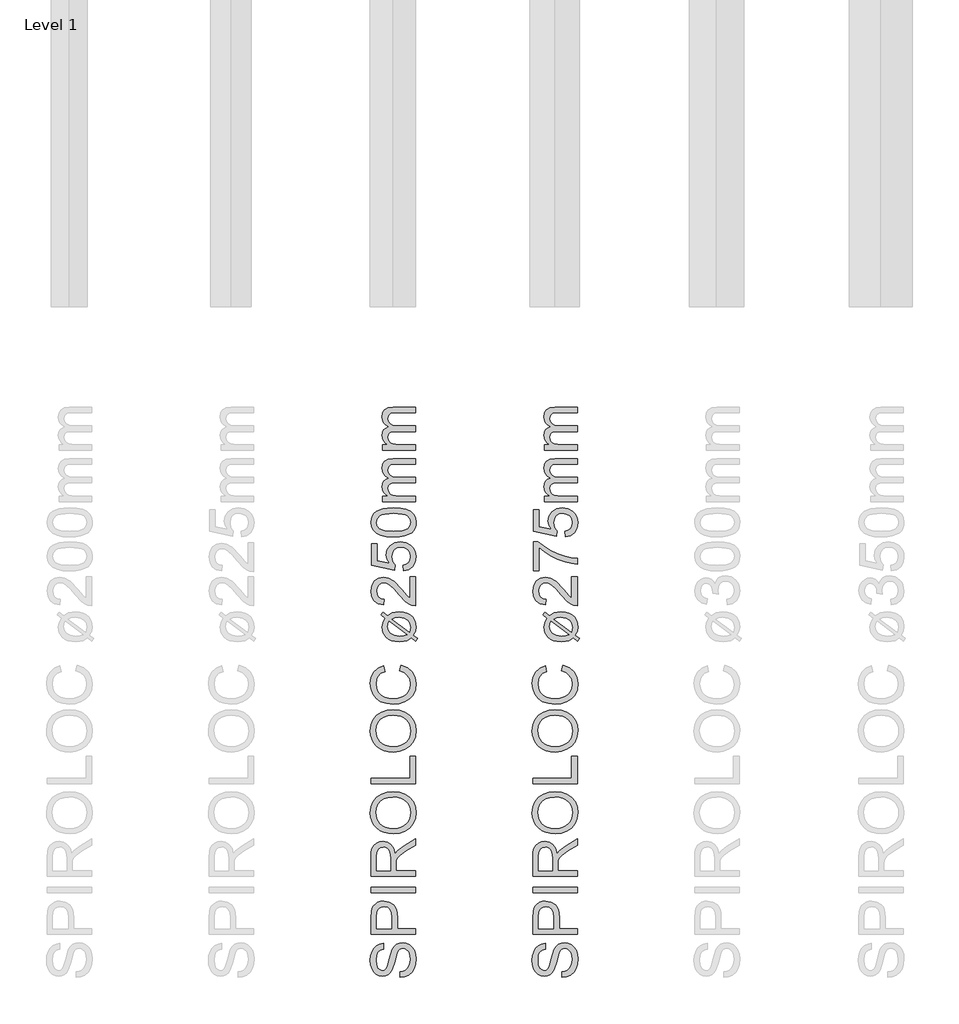
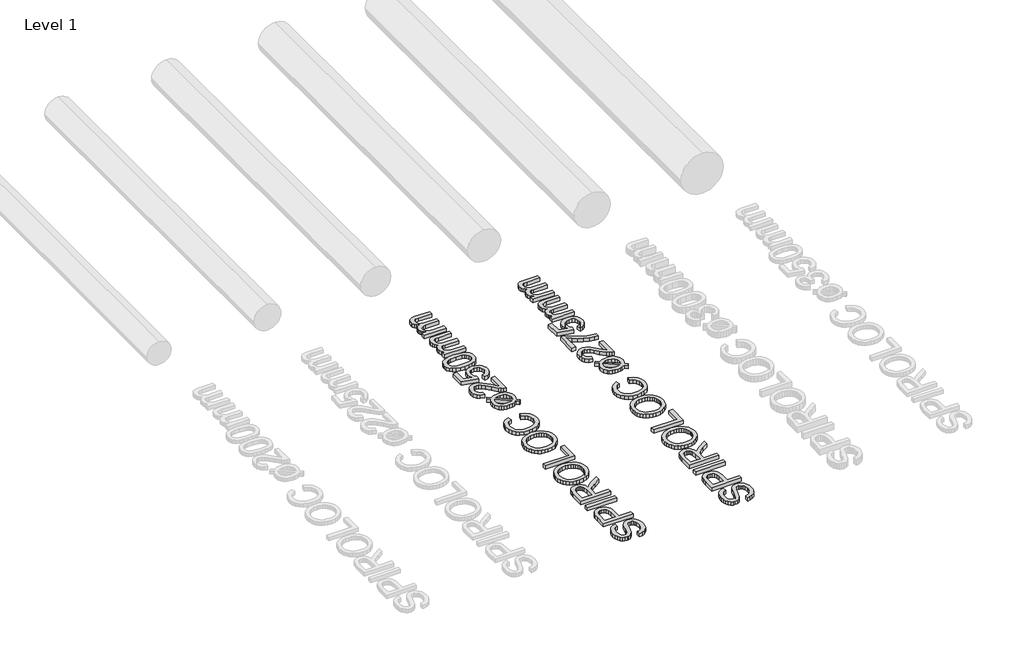
# One storey, part 7 of 19: 2 proxies.
"""IFC4 building model written with IfcOpenShell, lengths in millimetres."""

from ifc_helpers import new_model, si_unit, origin, origin_with_axes, place, context, project, spatial, polyline, outline, extrude, element, save

model = new_model("IFC4")

# Units and contexts
model_context = context("Model", 3, world=origin())
ifc_project = project(units=[si_unit("LENGTHUNIT", "METRE", prefix="MILLI")], contexts=[model_context])

# Site, building, storey
site = spatial("IfcSite", under=ifc_project)
building = spatial("IfcBuilding", under=site)
storey = spatial("IfcBuildingStorey", under=building, Name="Level 1", Elevation=0.0)

# Proxies
placement = place(None, origin())
element("IfcBuildingElementProxy", 1, Name="250mm", ObjectType="250mm", at=placement, inside=storey, context=model_context, shape_type="SweptSolid", body=[
    extrude(outline(polyline([(6912.3427999, -1501.7841772), (6912.3427999, -1471.0149464), (6929.4176196, -1467.4842974), (6943.1420787, -1461.099081), (6954.0345066, -1451.1381435), (6962.6132326, -1436.880331), (6968.1796388, -1419.4524464), (6970.0351076, -1399.9812926), (6964.4161172, -1367.8298502), (6957.7454441, -1355.6678911), (6948.9714057, -1347.0666291), (6938.8977879, -1341.950944), (6928.3283768, -1340.2457156), (6909.1276557, -1345.3538887), (6901.5330042, -1353.1363406), (6895.1552999, -1366.2673502), (6883.4065018, -1411.0690329), (6868.232223, -1459.2961964), (6857.8806605, -1474.6132036), (6845.3355883, -1485.4680714), (6830.8674393, -1491.93592), (6814.746646, -1494.0918695), (6796.7253119, -1491.4251026), (6779.9209249, -1483.4248022), (6765.6781364, -1470.3013046), (6755.341598, -1452.2649464), (6749.0540379, -1430.615307), (6746.9581845, -1406.6519656), (6749.1516941, -1380.6904272), (6755.732223, -1357.974081), (6766.5645547, -1339.3142252), (6781.513473, -1325.5221579), (6799.6474874, -1316.7931916), (6820.0351076, -1313.3226387), (6820.0351076, -1344.0918695), (6801.6757326, -1349.7409079), (6788.4245307, -1361.5197541), (6780.4016941, -1379.9242012), (6777.7274153, -1405.4500426), (6780.371646, -1431.5768454), (6788.3043383, -1449.5005233), (6799.9780162, -1459.8671099), (6813.8452037, -1463.3226387), (6825.669122, -1460.8737204), (6835.1793383, -1453.5269656), (6843.6829441, -1436.1591772), (6852.3668383, -1403.286581), (6867.8115499, -1348.8394656), (6878.9744105, -1331.2989007), (6892.7514537, -1319.0618214), (6908.9924393, -1311.872819), (6927.5471268, -1309.4764849), (6946.5149754, -1312.2333959), (6964.356021, -1320.5041291), (6979.7105883, -1333.9506435), (6991.2190018, -1352.2348983), (6998.4080042, -1374.2225786), (7000.8043383, -1398.7793695), (6998.2202037, -1428.9251026), (6990.4677999, -1453.7373022), (6977.5170787, -1473.5014248), (6959.3379922, -1488.5029272), (6937.1925595, -1498.1333358), (6912.3427999, -1501.7841772)])), origin_with_axes(), (0.0, 0.0, 1.0), 30.0),
    extrude(outline(polyline([(6996.9581845, -1263.3226387), (6750.8043383, -1263.3226387), (6750.8043383, -1172.0966772), (6753.1480883, -1135.317831), (6757.5275956, -1118.919093), (6764.6565018, -1105.4199945), (6774.8578239, -1094.5501026), (6788.4545787, -1086.0389849), (6804.4927398, -1080.5401868), (6822.0182807, -1078.7072541), (6851.0296989, -1083.6576748), (6875.2033768, -1098.5089368), (6884.7211052, -1110.4023412), (6891.5194826, -1126.2808719), (6895.598509, -1146.1445287), (6896.9581845, -1169.9933118), (6896.9581845, -1232.5534079), (6996.9581845, -1232.5534079), (6996.9581845, -1263.3226387)]), holes=[polyline([(6866.1889537, -1232.5534079), (6866.1889537, -1168.1904272), (6863.3644345, -1140.9067733), (6854.8908768, -1122.8779272), (6841.294122, -1112.8268454), (6823.1000114, -1109.4764849), (6809.277896, -1111.4521459), (6797.6192422, -1117.3791291), (6788.8452037, -1126.5212565), (6783.6769345, -1138.1423502), (6781.5735691, -1168.911581), (6781.5735691, -1232.5534079), (6866.1889537, -1232.5534079)])]), origin_with_axes(), (0.0, 0.0, 1.0), 30.0),
    extrude(outline(polyline([(6996.9581845, -1032.5534079), (6750.8043383, -1032.5534079), (6750.8043383, -1001.7841772), (6996.9581845, -1001.7841772), (6996.9581845, -1032.5534079)])), origin_with_axes(), (0.0, 0.0, 1.0), 30.0),
    extrude(outline(polyline([(6996.9581845, -940.2457156), (6750.8043383, -940.2457156), (6750.8043383, -834.1760041), (6752.4644946, -805.6678911), (6757.4449633, -784.927206), (6766.6396749, -769.7679512), (6780.9425595, -758.0041291), (6798.6784369, -750.4545498), (6818.1721268, -747.9380233), (6842.4209249, -752.107194), (6862.5230883, -764.614706), (6877.2616701, -785.8361603), (6885.419723, -816.1471579), (6898.5807807, -798.6591772), (6930.2514537, -773.7192733), (6996.9581845, -732.6736002), (6996.9581845, -768.4308118), (6945.9365499, -800.4620618), (6912.1625114, -823.599081), (6896.2069826, -839.8550906), (6890.3476076, -854.4885041), (6889.2658768, -872.3370618), (6889.2658768, -909.4764849), (6996.9581845, -909.4764849), (6996.9581845, -940.2457156)]), holes=[polyline([(6858.496646, -909.4764849), (6858.496646, -840.6062926), (6854.1396749, -805.4800906), (6848.4756124, -793.9266051), (6840.1973672, -785.5281676), (6830.1838456, -780.4124825), (6819.3139537, -778.7072541), (6804.3049393, -781.9599584), (6792.2105883, -791.7180714), (6784.2328239, -808.5074344), (6781.5735691, -832.8538887), (6781.5735691, -909.4764849), (6858.496646, -909.4764849)])]), origin_with_axes(), (0.0, 0.0, 1.0), 30.0),
    extrude(outline(polyline([(6877.1264537, -705.630331), (6848.2540078, -703.5795498), (6822.6943624, -697.427206), (6800.4475174, -687.1732998), (6781.513473, -672.817831), (6766.3955343, -655.220926), (6755.5970066, -635.2427108), (6749.11789, -612.8831856), (6746.9581845, -588.1423502), (6751.0146749, -555.8556916), (6763.184146, -526.9043695), (6782.6102278, -502.8659079), (6808.4365499, -485.317831), (6839.4161172, -474.5906676), (6874.3019345, -471.0149464), (6909.653497, -474.778468), (6941.0687614, -486.0690329), (6966.9401557, -504.2631435), (6985.6601076, -528.7373022), (6997.0182807, -557.4407276), (7000.8043383, -588.3226387), (6996.6201436, -621.1050906), (6984.0675595, -650.2216772), (6964.2809008, -674.2000426), (6938.3944826, -691.567831), (6908.6093263, -702.114706), (6877.1264537, -705.630331)]), holes=[polyline([(6877.4269345, -674.8611002), (6897.8258227, -673.3230143), (6915.9335451, -668.7087565), (6931.7501016, -661.0183268), (6945.2754922, -650.2517252), (6956.1078239, -637.1639097), (6963.8452037, -622.5098382), (6968.4876316, -606.2895107), (6970.0351076, -588.5029272), (6968.4726076, -570.4121069), (6963.7851076, -554.0002228), (6955.9726076, -539.2672751), (6945.0351076, -526.2132637), (6931.2242602, -515.5255383), (6914.7917182, -507.8914488), (6895.7374814, -503.3109951), (6874.0615499, -501.7841772), (6846.8229682, -504.3983599), (6823.2802999, -512.2409079), (6804.0269946, -525.1089969), (6789.6565018, -542.7998022), (6780.7096869, -564.1414488), (6777.7274153, -587.9620618), (6783.47411, -621.0600185), (6800.7141941, -649.2000426), (6814.1287825, -660.4267553), (6831.3857686, -668.4458358), (6852.4851527, -673.2572841), (6877.4269345, -674.8611002)])]), origin_with_axes(), (0.0, 0.0, 1.0), 30.0),
    extrude(outline(polyline([(6996.9581845, -428.7072541), (6750.8043383, -428.7072541), (6750.8043383, -397.9380233), (6966.1889537, -397.9380233), (6966.1889537, -274.8611002), (6996.9581845, -274.8611002), (6996.9581845, -428.7072541)])), origin_with_axes(), (0.0, 0.0, 1.0), 30.0),
    extrude(outline(polyline([(6877.1264537, -251.7841772), (6848.2540078, -249.7333959), (6822.6943624, -243.5810522), (6800.4475174, -233.3271459), (6781.513473, -218.9716772), (6766.3955343, -201.3747721), (6755.5970066, -181.396557), (6749.11789, -159.0370317), (6746.9581845, -134.2961964), (6751.0146749, -102.0095377), (6763.184146, -73.0582156), (6782.6102278, -49.0197541), (6808.4365499, -31.4716772), (6839.4161172, -20.7445137), (6874.3019345, -17.1687926), (6909.653497, -20.9323142), (6941.0687614, -32.2228791), (6966.9401557, -50.4169897), (6985.6601076, -74.8911483), (6997.0182807, -103.5945738), (7000.8043383, -134.4764849), (6996.6201436, -167.2589368), (6984.0675595, -196.3755233), (6964.2809008, -220.3538887), (6938.3944826, -237.7216772), (6908.6093263, -248.2685522), (6877.1264537, -251.7841772)]), holes=[polyline([(6877.4269345, -221.0149464), (6897.8258227, -219.4768605), (6915.9335451, -214.8626026), (6931.7501016, -207.172173), (6945.2754922, -196.4055714), (6956.1078239, -183.3177559), (6963.8452037, -168.6636844), (6968.4876316, -152.4433569), (6970.0351076, -134.6567733), (6968.4726076, -116.565953), (6963.7851076, -100.154069), (6955.9726076, -85.4211213), (6945.0351076, -72.3671099), (6931.2242602, -61.6793845), (6914.7917182, -54.045295), (6895.7374814, -49.4648412), (6874.0615499, -47.9380233), (6846.8229682, -50.552206), (6823.2802999, -58.3947541), (6804.0269946, -71.262843), (6789.6565018, -88.9536483), (6780.7096869, -110.295295), (6777.7274153, -134.1159079), (6783.47411, -167.2138647), (6800.7141941, -195.3538887), (6814.1287825, -206.5806014), (6831.3857686, -214.599682), (6852.4851527, -219.4111303), (6877.4269345, -221.0149464)])]), origin_with_axes(), (0.0, 0.0, 1.0), 30.0),
    extrude(outline(polyline([(6909.4581845, 198.2158228), (6917.3908768, 228.9850536), (6953.2457446, 214.7873373), (6979.4401557, 192.5066882), (6995.4632927, 163.2398613), (7000.8043383, 128.0836113), (6996.762872, 92.3940079), (6984.638473, 64.0511594), (6964.8518143, 42.3263998), (6937.8235691, 26.4910632), (6906.0477278, 16.8230945), (6872.0182807, 13.6004382), (6836.1258528, 17.2437675), (6805.1312614, 28.1737555), (6780.0185811, 45.8194887), (6761.7718864, 69.6100536), (6750.66161, 97.8251978), (6746.9581845, 128.744669), (6751.7508528, 162.4811474), (6766.1288576, 190.3732748), (6789.2057807, 211.549657), (6820.0952037, 225.1388998), (6827.4269345, 194.369669), (6804.9885331, 183.7026017), (6789.5964057, 169.1292844), (6780.6946629, 150.4694286), (6777.7274153, 127.5427459), (6781.0176797, 101.1154623), (6790.888473, 79.4057267), (6806.3031364, 62.9318685), (6826.2250114, 52.2122171), (6848.7460451, 46.330306), (6871.9581845, 44.369669), (6900.3836653, 46.6908829), (6924.9629922, 53.6545248), (6944.7571629, 65.5235151), (6958.8271749, 82.5607748), (6967.2331244, 102.985955), (6970.0351076, 125.0187074), (6966.2190018, 150.7023012), (6954.7706845, 172.104044), (6935.810348, 188.2623974), (6909.4581845, 198.2158228)])), origin_with_axes(), (0.0, 0.0, 1.0), 30.0),
    extrude(outline(polyline([(6829.8908768, 490.2831305), (6805.6120307, 508.6725536), (6816.7899153, 523.3360151), (6842.2105883, 504.0451498), (6868.4726076, 519.5499574), (6907.6552999, 525.1388998), (6931.1979682, 523.3923553), (6951.4052999, 518.1527219), (6968.2772951, 509.4199995), (6981.8139537, 497.1941882), (6996.0567422, 472.2092123), (7000.8043383, 442.5667844), (6996.762872, 417.822193), (6984.638473, 396.1124574), (7008.496646, 378.0235151), (6997.559146, 363.119669), (6974.7827037, 380.4273613), (6951.5855883, 366.4249574), (6931.7839057, 361.4219526), (6909.5182807, 359.7542844), (6885.6319375, 361.2717123), (6865.2950234, 365.8239959), (6848.5075385, 373.4111353), (6835.2694826, 384.0331305), (6818.0744706, 410.4303661), (6812.3427999, 441.0643805), (6816.5795787, 466.0042844), (6829.8908768, 490.2831305)]), holes=[polyline([(6851.7658768, 473.6965921), (6845.2754922, 458.3119767), (6843.1120307, 442.2062074), (6847.2661773, 421.9988757), (6859.7286172, 405.3672651), (6880.4092061, 394.2344526), (6909.2177999, 390.5235151), (6931.6336653, 392.6719526), (6950.0831845, 399.1172651), (6851.7658768, 473.6965921)]), polyline([(6867.1504922, 485.1749574), (6964.9269345, 411.0163036), (6970.0351076, 440.5836113), (6965.9711052, 461.9177459), (6953.779098, 479.1653421), (6933.47411, 490.5685873), (6905.0711653, 494.369669), (6883.857223, 492.025919), (6867.1504922, 485.1749574)])]), origin_with_axes(), (0.0, 0.0, 1.0), 30.0),
    extrude(outline(polyline([(6966.1889537, 721.2927459), (6996.9581845, 721.2927459), (6996.9581845, 559.7542844), (6975.7442422, 563.0595728), (6959.1652158, 570.6467123), (6943.0819826, 581.7494767), (6907.4149153, 620.2711113), (6877.9227278, 653.4742363), (6856.152896, 673.3961113), (6838.4846268, 683.3570488), (6821.2971268, 686.6773613), (6805.8899754, 683.5448493), (6793.0819826, 674.1473132), (6784.4506725, 659.7017002), (6781.5735691, 641.4249574), (6784.3830643, 622.2317483), (6792.8115499, 607.3203901), (6806.1979682, 597.6974935), (6823.8812614, 594.369669), (6820.0351076, 563.6004382), (6790.2724874, 571.0598733), (6768.5327037, 587.1881786), (6755.2364297, 611.1440079), (6750.8043383, 642.0860151), (6755.732223, 673.2533829), (6770.5158768, 697.1641401), (6792.6012133, 712.3759791), (6819.434146, 717.4465921), (6848.6108287, 711.9778421), (6878.779098, 693.7987555), (6920.9365499, 649.7182267), (6950.5339057, 614.3215921), (6966.1889537, 600.4393805), (6966.1889537, 721.2927459)])), origin_with_axes(), (0.0, 0.0, 1.0), 30.0),
    extrude(outline(polyline([(6931.5735691, 752.0619767), (6927.7274153, 782.8312074), (6946.1994706, 788.4802459), (6959.4281364, 798.3360151), (6967.3833648, 812.353443), (6970.0351076, 830.4874574), (6966.3467061, 852.5427459), (6955.2815018, 869.0691882), (6938.1165379, 879.3907026), (6916.1288576, 882.8312074), (6895.4257326, 879.6085512), (6879.590396, 869.9405824), (6869.5393143, 853.752181), (6866.1889537, 830.9682267), (6871.5375114, 803.9550055), (6885.419723, 786.6773613), (6881.5735691, 755.9081305), (6754.6504922, 782.8312074), (6754.6504922, 902.0619767), (6785.419723, 902.0619767), (6785.419723, 807.7110151), (6853.2081845, 794.5499574), (6839.8668383, 816.5301257), (6835.419723, 839.5619767), (6840.9335451, 868.3104743), (6857.4750114, 892.1761594), (6882.685348, 908.2443685), (6914.2057807, 913.6004382), (6944.9750114, 908.7777219), (6971.2971268, 894.3095728), (6984.2065319, 881.5241161), (6993.4275355, 866.6052459), (6998.9601376, 849.5529623), (7000.8043383, 830.3672651), (6996.0642542, 800.1464118), (6981.8440018, 776.0703901), (6959.7962254, 759.5664839), (6931.5735691, 752.0619767)])), origin_with_axes(), (0.0, 0.0, 1.0), 30.0),
    extrude(outline(polyline([(6875.8644345, 940.5235151), (6836.4638936, 942.7846329), (6805.0411172, 949.5679863), (6781.1153359, 960.8059671), (6764.2057807, 976.4309671), (6754.1546989, 996.5556666), (6750.8043383, 1021.2927459), (6752.7875114, 1040.2530824), (6758.7370307, 1057.2302459), (6768.4200234, 1071.4279623), (6781.6036172, 1082.0499574), (6818.0218864, 1096.4730344), (6843.2247109, 1100.6647411), (6875.8644345, 1102.0619767), (6915.0396148, 1099.8233949), (6946.387271, 1093.1076498), (6970.3355883, 1081.9372772), (6987.3127518, 1066.3348132), (6997.4314417, 1046.1650416), (7000.8043383, 1021.2927459), (6999.3394946, 1004.3456305), (6994.9449633, 989.3215921), (6987.6207446, 976.2206305), (6977.3668383, 965.0427459), (6958.8309309, 954.3155824), (6935.7352278, 946.6533228), (6908.079729, 942.0559671), (6875.8644345, 940.5235151)]), holes=[polyline([(6875.8043383, 971.2927459), (6924.2042783, 974.8985151), (6940.7588906, 979.4057267), (6952.216598, 985.7158228), (6965.5804802, 1001.8215921), (6970.0351076, 1021.2927459), (6965.5654561, 1040.7638998), (6952.1565018, 1056.869669), (6940.6800144, 1063.1797651), (6924.1291581, 1067.6869767), (6875.8043383, 1071.2927459), (6828.4936412, 1067.807169), (6811.993491, 1063.4501978), (6800.263473, 1057.3504382), (6786.2460451, 1041.2747171), (6781.5735691, 1020.932169), (6785.6901557, 1001.6713517), (6798.0399153, 986.1965921), (6810.810348, 979.6761594), (6828.027896, 975.0187074), (6875.8043383, 971.2927459)])]), origin_with_axes(), (0.0, 0.0, 1.0), 30.0),
    extrude(outline(polyline([(6996.9581845, 1136.6773613), (6816.1889537, 1136.6773613), (6816.1889537, 1167.4465921), (6845.9365499, 1167.4465921), (6832.2721869, 1176.7013998), (6821.5675595, 1188.6004382), (6814.6489898, 1202.7380584), (6812.3427999, 1218.7086113), (6814.6940619, 1235.8209911), (6821.747848, 1249.5379382), (6833.0384129, 1259.7843324), (6848.1000114, 1266.4850536), (6832.4562314, 1277.7004983), (6821.2821028, 1290.4934671), (6814.5776256, 1304.8639599), (6812.3427999, 1320.8119767), (6816.0612494, 1343.9414839), (6827.216598, 1361.0463517), (6846.1093263, 1371.6157627), (6873.0399153, 1375.1388998), (6996.9581845, 1375.1388998), (6996.9581845, 1344.369669), (6886.2610691, 1344.369669), (6860.5699633, 1341.5151017), (6847.919723, 1331.1785632), (6843.1120307, 1313.6004382), (6846.1919585, 1296.9312675), (6855.4317422, 1283.3420248), (6871.4623912, 1274.3050656), (6894.9149153, 1271.2927459), (6996.9581845, 1271.2927459), (6996.9581845, 1240.5235151), (6882.8355883, 1240.5235151), (6865.4377518, 1238.7431666), (6853.027896, 1233.4021209), (6845.590997, 1224.0045849), (6843.1120307, 1210.0547651), (6844.7646749, 1198.2007988), (6849.7226076, 1187.2783228), (6857.8656364, 1178.2638998), (6869.0735691, 1172.1340921), (6905.7923191, 1167.4465921), (6996.9581845, 1167.4465921), (6996.9581845, 1136.6773613)])), origin_with_axes(), (0.0, 0.0, 1.0), 30.0),
    extrude(outline(polyline([(6996.9581845, 1421.2927459), (6816.1889537, 1421.2927459), (6816.1889537, 1452.0619767), (6845.9365499, 1452.0619767), (6832.2721869, 1461.3167844), (6821.5675595, 1473.2158228), (6814.6489898, 1487.353443), (6812.3427999, 1503.3239959), (6814.6940619, 1520.4363757), (6821.747848, 1534.1533228), (6833.0384129, 1544.3997171), (6848.1000114, 1551.1004382), (6832.4562314, 1562.3158829), (6821.2821028, 1575.1088517), (6814.5776256, 1589.4793445), (6812.3427999, 1605.4273613), (6816.0612494, 1628.5568685), (6827.216598, 1645.6617363), (6846.1093263, 1656.2311474), (6873.0399153, 1659.7542844), (6996.9581845, 1659.7542844), (6996.9581845, 1628.9850536), (6886.2610691, 1628.9850536), (6860.5699633, 1626.1304863), (6847.919723, 1615.7939478), (6843.1120307, 1598.2158228), (6846.1919585, 1581.5466522), (6855.4317422, 1567.9574094), (6871.4623912, 1558.9204502), (6894.9149153, 1555.9081305), (6996.9581845, 1555.9081305), (6996.9581845, 1525.1388998), (6882.8355883, 1525.1388998), (6865.4377518, 1523.3585512), (6853.027896, 1518.0175055), (6845.590997, 1508.6199695), (6843.1120307, 1494.6701498), (6844.7646749, 1482.8161834), (6849.7226076, 1471.8937074), (6857.8656364, 1462.8792844), (6869.0735691, 1456.7494767), (6905.7923191, 1452.0619767), (6996.9581845, 1452.0619767), (6996.9581845, 1421.2927459)])), origin_with_axes(), (0.0, 0.0, 1.0), 30.0),
])
element("IfcBuildingElementProxy", 2, Name="250mm", ObjectType="250mm", at=placement, inside=storey, context=model_context, shape_type="SweptSolid", body=[
    extrude(outline(polyline([(7810.419723, -1501.7841772), (7810.419723, -1471.0149464), (7827.4945427, -1467.4842974), (7841.2190018, -1461.099081), (7852.1114297, -1451.1381435), (7860.6901557, -1436.880331), (7866.2565619, -1419.4524464), (7868.1120307, -1399.9812926), (7862.4930403, -1367.8298502), (7855.8223672, -1355.6678911), (7847.0483287, -1347.0666291), (7836.9747109, -1341.950944), (7826.4052999, -1340.2457156), (7807.2045787, -1345.3538887), (7799.6099273, -1353.1363406), (7793.232223, -1366.2673502), (7781.4834249, -1411.0690329), (7766.309146, -1459.2961964), (7755.9575835, -1474.6132036), (7743.4125114, -1485.4680714), (7728.9443624, -1491.93592), (7712.8235691, -1494.0918695), (7694.802235, -1491.4251026), (7677.997848, -1483.4248022), (7663.7550595, -1470.3013046), (7653.418521, -1452.2649464), (7647.1309609, -1430.615307), (7645.0351076, -1406.6519656), (7647.2286172, -1380.6904272), (7653.809146, -1357.974081), (7664.6414778, -1339.3142252), (7679.590396, -1325.5221579), (7697.7244105, -1316.7931916), (7718.1120307, -1313.3226387), (7718.1120307, -1344.0918695), (7699.7526557, -1349.7409079), (7686.5014537, -1361.5197541), (7678.4786172, -1379.9242012), (7675.8043383, -1405.4500426), (7678.4485691, -1431.5768454), (7686.3812614, -1449.5005233), (7698.0549393, -1459.8671099), (7711.9221268, -1463.3226387), (7723.7460451, -1460.8737204), (7733.2562614, -1453.5269656), (7741.7598672, -1436.1591772), (7750.4437614, -1403.286581), (7765.888473, -1348.8394656), (7777.0513335, -1331.2989007), (7790.8283768, -1319.0618214), (7807.0693624, -1311.872819), (7825.6240499, -1309.4764849), (7844.5918984, -1312.2333959), (7862.4329441, -1320.5041291), (7877.7875114, -1333.9506435), (7889.2959249, -1352.2348983), (7896.4849273, -1374.2225786), (7898.8812614, -1398.7793695), (7896.2971268, -1428.9251026), (7888.544723, -1453.7373022), (7875.5940018, -1473.5014248), (7857.4149153, -1488.5029272), (7835.2694826, -1498.1333358), (7810.419723, -1501.7841772)])), origin_with_axes(), (0.0, 0.0, 1.0), 30.0),
    extrude(outline(polyline([(7895.0351076, -1263.3226387), (7648.8812614, -1263.3226387), (7648.8812614, -1172.0966772), (7651.2250114, -1135.317831), (7655.6045186, -1118.919093), (7662.7334249, -1105.4199945), (7672.934747, -1094.5501026), (7686.5315018, -1086.0389849), (7702.5696629, -1080.5401868), (7720.0952037, -1078.7072541), (7749.106622, -1083.6576748), (7773.2802999, -1098.5089368), (7782.7980283, -1110.4023412), (7789.5964057, -1126.2808719), (7793.6754321, -1146.1445287), (7795.0351076, -1169.9933118), (7795.0351076, -1232.5534079), (7895.0351076, -1232.5534079), (7895.0351076, -1263.3226387)]), holes=[polyline([(7764.2658768, -1232.5534079), (7764.2658768, -1168.1904272), (7761.4413576, -1140.9067733), (7752.9677999, -1122.8779272), (7739.3710451, -1112.8268454), (7721.1769345, -1109.4764849), (7707.3548191, -1111.4521459), (7695.6961653, -1117.3791291), (7686.9221268, -1126.5212565), (7681.7538576, -1138.1423502), (7679.6504922, -1168.911581), (7679.6504922, -1232.5534079), (7764.2658768, -1232.5534079)])]), origin_with_axes(), (0.0, 0.0, 1.0), 30.0),
    extrude(outline(polyline([(7895.0351076, -1032.5534079), (7648.8812614, -1032.5534079), (7648.8812614, -1001.7841772), (7895.0351076, -1001.7841772), (7895.0351076, -1032.5534079)])), origin_with_axes(), (0.0, 0.0, 1.0), 30.0),
    extrude(outline(polyline([(7895.0351076, -940.2457156), (7648.8812614, -940.2457156), (7648.8812614, -834.1760041), (7650.5414177, -805.6678911), (7655.5218864, -784.927206), (7664.716598, -769.7679512), (7679.0194826, -758.0041291), (7696.75536, -750.4545498), (7716.2490499, -747.9380233), (7740.497848, -752.107194), (7760.6000114, -764.614706), (7775.3385932, -785.8361603), (7783.496646, -816.1471579), (7796.6577037, -798.6591772), (7828.3283768, -773.7192733), (7895.0351076, -732.6736002), (7895.0351076, -768.4308118), (7844.013473, -800.4620618), (7810.2394345, -823.599081), (7794.2839057, -839.8550906), (7788.4245307, -854.4885041), (7787.3427999, -872.3370618), (7787.3427999, -909.4764849), (7895.0351076, -909.4764849), (7895.0351076, -940.2457156)]), holes=[polyline([(7756.5735691, -909.4764849), (7756.5735691, -840.6062926), (7752.216598, -805.4800906), (7746.5525355, -793.9266051), (7738.2742903, -785.5281676), (7728.2607686, -780.4124825), (7717.3908768, -778.7072541), (7702.3818624, -781.9599584), (7690.2875114, -791.7180714), (7682.309747, -808.5074344), (7679.6504922, -832.8538887), (7679.6504922, -909.4764849), (7756.5735691, -909.4764849)])]), origin_with_axes(), (0.0, 0.0, 1.0), 30.0),
    extrude(outline(polyline([(7775.2033768, -705.630331), (7746.3309309, -703.5795498), (7720.7712855, -697.427206), (7698.5244405, -687.1732998), (7679.590396, -672.817831), (7664.4724573, -655.220926), (7653.6739297, -635.2427108), (7647.1948131, -612.8831856), (7645.0351076, -588.1423502), (7649.091598, -555.8556916), (7661.2610691, -526.9043695), (7680.6871508, -502.8659079), (7706.513473, -485.317831), (7737.4930403, -474.5906676), (7772.3788576, -471.0149464), (7807.7304201, -474.778468), (7839.1456845, -486.0690329), (7865.0170787, -504.2631435), (7883.7370307, -528.7373022), (7895.0952037, -557.4407276), (7898.8812614, -588.3226387), (7894.6970667, -621.1050906), (7882.1444826, -650.2216772), (7862.3578239, -674.2000426), (7836.4714057, -691.567831), (7806.6862494, -702.114706), (7775.2033768, -705.630331)]), holes=[polyline([(7775.5038576, -674.8611002), (7795.9027458, -673.3230143), (7814.0104682, -668.7087565), (7829.8270246, -661.0183268), (7843.3524153, -650.2517252), (7854.184747, -637.1639097), (7861.9221268, -622.5098382), (7866.5645547, -606.2895107), (7868.1120307, -588.5029272), (7866.5495307, -570.4121069), (7861.8620307, -554.0002228), (7854.0495307, -539.2672751), (7843.1120307, -526.2132637), (7829.3011833, -515.5255383), (7812.8686412, -507.8914488), (7793.8144045, -503.3109951), (7772.138473, -501.7841772), (7744.8998912, -504.3983599), (7721.357223, -512.2409079), (7702.1039177, -525.1089969), (7687.7334249, -542.7998022), (7678.78661, -564.1414488), (7675.8043383, -587.9620618), (7681.5510331, -621.0600185), (7698.7911172, -649.2000426), (7712.2057055, -660.4267553), (7729.4626917, -668.4458358), (7750.5620757, -673.2572841), (7775.5038576, -674.8611002)])]), origin_with_axes(), (0.0, 0.0, 1.0), 30.0),
    extrude(outline(polyline([(7895.0351076, -428.7072541), (7648.8812614, -428.7072541), (7648.8812614, -397.9380233), (7864.2658768, -397.9380233), (7864.2658768, -274.8611002), (7895.0351076, -274.8611002), (7895.0351076, -428.7072541)])), origin_with_axes(), (0.0, 0.0, 1.0), 30.0),
    extrude(outline(polyline([(7775.2033768, -251.7841772), (7746.3309309, -249.7333959), (7720.7712855, -243.5810522), (7698.5244405, -233.3271459), (7679.590396, -218.9716772), (7664.4724573, -201.3747721), (7653.6739297, -181.396557), (7647.1948131, -159.0370317), (7645.0351076, -134.2961964), (7649.091598, -102.0095377), (7661.2610691, -73.0582156), (7680.6871508, -49.0197541), (7706.513473, -31.4716772), (7737.4930403, -20.7445137), (7772.3788576, -17.1687926), (7807.7304201, -20.9323142), (7839.1456845, -32.2228791), (7865.0170787, -50.4169897), (7883.7370307, -74.8911483), (7895.0952037, -103.5945738), (7898.8812614, -134.4764849), (7894.6970667, -167.2589368), (7882.1444826, -196.3755233), (7862.3578239, -220.3538887), (7836.4714057, -237.7216772), (7806.6862494, -248.2685522), (7775.2033768, -251.7841772)]), holes=[polyline([(7775.5038576, -221.0149464), (7795.9027458, -219.4768605), (7814.0104682, -214.8626026), (7829.8270246, -207.172173), (7843.3524153, -196.4055714), (7854.184747, -183.3177559), (7861.9221268, -168.6636844), (7866.5645547, -152.4433569), (7868.1120307, -134.6567733), (7866.5495307, -116.565953), (7861.8620307, -100.154069), (7854.0495307, -85.4211213), (7843.1120307, -72.3671099), (7829.3011833, -61.6793845), (7812.8686412, -54.045295), (7793.8144045, -49.4648412), (7772.138473, -47.9380233), (7744.8998912, -50.552206), (7721.357223, -58.3947541), (7702.1039177, -71.262843), (7687.7334249, -88.9536483), (7678.78661, -110.295295), (7675.8043383, -134.1159079), (7681.5510331, -167.2138647), (7698.7911172, -195.3538887), (7712.2057055, -206.5806014), (7729.4626917, -214.599682), (7750.5620757, -219.4111303), (7775.5038576, -221.0149464)])]), origin_with_axes(), (0.0, 0.0, 1.0), 30.0),
    extrude(outline(polyline([(7807.5351076, 198.2158228), (7815.4677999, 228.9850536), (7851.3226677, 214.7873373), (7877.5170787, 192.5066882), (7893.5402158, 163.2398613), (7898.8812614, 128.0836113), (7894.8397951, 92.3940079), (7882.715396, 64.0511594), (7862.9287374, 42.3263998), (7835.9004922, 26.4910632), (7804.1246508, 16.8230945), (7770.0952037, 13.6004382), (7734.2027758, 17.2437675), (7703.2081845, 28.1737555), (7678.0955042, 45.8194887), (7659.8488095, 69.6100536), (7648.7385331, 97.8251978), (7645.0351076, 128.744669), (7649.8277758, 162.4811474), (7664.2057807, 190.3732748), (7687.2827037, 211.549657), (7718.1721268, 225.1388998), (7725.5038576, 194.369669), (7703.0654561, 183.7026017), (7687.6733287, 169.1292844), (7678.7715859, 150.4694286), (7675.8043383, 127.5427459), (7679.0946028, 101.1154623), (7688.965396, 79.4057267), (7704.3800595, 62.9318685), (7724.3019345, 52.2122171), (7746.8229682, 46.330306), (7770.0351076, 44.369669), (7798.4605883, 46.6908829), (7823.0399153, 53.6545248), (7842.8340859, 65.5235151), (7856.904098, 82.5607748), (7865.3100475, 102.985955), (7868.1120307, 125.0187074), (7864.2959249, 150.7023012), (7852.8476076, 172.104044), (7833.887271, 188.2623974), (7807.5351076, 198.2158228)])), origin_with_axes(), (0.0, 0.0, 1.0), 30.0),
    extrude(outline(polyline([(7727.9677999, 490.2831305), (7703.6889537, 508.6725536), (7714.8668383, 523.3360151), (7740.2875114, 504.0451498), (7766.5495307, 519.5499574), (7805.732223, 525.1388998), (7829.2748912, 523.3923553), (7849.482223, 518.1527219), (7866.3542182, 509.4199995), (7879.8908768, 497.1941882), (7894.1336653, 472.2092123), (7898.8812614, 442.5667844), (7894.8397951, 417.822193), (7882.715396, 396.1124574), (7906.5735691, 378.0235151), (7895.6360691, 363.119669), (7872.8596268, 380.4273613), (7849.6625114, 366.4249574), (7829.8608287, 361.4219526), (7807.5952037, 359.7542844), (7783.7088606, 361.2717123), (7763.3719465, 365.8239959), (7746.5844615, 373.4111353), (7733.3464057, 384.0331305), (7716.1513936, 410.4303661), (7710.419723, 441.0643805), (7714.6565018, 466.0042844), (7727.9677999, 490.2831305)]), holes=[polyline([(7749.8427999, 473.6965921), (7743.3524153, 458.3119767), (7741.1889537, 442.2062074), (7745.3431004, 421.9988757), (7757.8055403, 405.3672651), (7778.4861292, 394.2344526), (7807.294723, 390.5235151), (7829.7105883, 392.6719526), (7848.1601076, 399.1172651), (7749.8427999, 473.6965921)]), polyline([(7765.2274153, 485.1749574), (7863.0038576, 411.0163036), (7868.1120307, 440.5836113), (7864.0480283, 461.9177459), (7851.856021, 479.1653421), (7831.5510331, 490.5685873), (7803.1480883, 494.369669), (7781.934146, 492.025919), (7765.2274153, 485.1749574)])]), origin_with_axes(), (0.0, 0.0, 1.0), 30.0),
    extrude(outline(polyline([(7864.2658768, 721.2927459), (7895.0351076, 721.2927459), (7895.0351076, 559.7542844), (7873.8211653, 563.0595728), (7857.2421388, 570.6467123), (7841.1589057, 581.7494767), (7805.4918383, 620.2711113), (7775.9996508, 653.4742363), (7754.2298191, 673.3961113), (7736.5615499, 683.3570488), (7719.3740499, 686.6773613), (7703.9668984, 683.5448493), (7691.1589057, 674.1473132), (7682.5275956, 659.7017002), (7679.6504922, 641.4249574), (7682.4599874, 622.2317483), (7690.888473, 607.3203901), (7704.2748912, 597.6974935), (7721.9581845, 594.369669), (7718.1120307, 563.6004382), (7688.3494105, 571.0598733), (7666.6096268, 587.1881786), (7653.3133528, 611.1440079), (7648.8812614, 642.0860151), (7653.809146, 673.2533829), (7668.5927999, 697.1641401), (7690.6781364, 712.3759791), (7717.5110691, 717.4465921), (7746.6877518, 711.9778421), (7776.856021, 693.7987555), (7819.013473, 649.7182267), (7848.6108287, 614.3215921), (7864.2658768, 600.4393805), (7864.2658768, 721.2927459)])), origin_with_axes(), (0.0, 0.0, 1.0), 30.0),
    extrude(outline(polyline([(7683.496646, 752.0619767), (7652.7274153, 752.0619767), (7652.7274153, 913.6004382), (7677.607223, 913.6004382), (7706.7463456, 890.5760993), (7743.8031364, 867.7771209), (7785.3971869, 847.6674454), (7828.1480883, 832.7110151), (7860.1342662, 825.3792844), (7895.0351076, 821.2927459), (7895.0351076, 790.5235151), (7863.3193624, 793.8513397), (7825.6240499, 802.7530824), (7785.6676196, 816.9883589), (7747.168521, 836.3167844), (7712.3653359, 858.8828901), (7683.496646, 882.8312074), (7683.496646, 752.0619767)])), origin_with_axes(), (0.0, 0.0, 1.0), 30.0),
    extrude(outline(polyline([(7829.6504922, 940.5235151), (7825.8043383, 971.2927459), (7844.2763936, 976.9417844), (7857.5050595, 986.7975536), (7865.4602879, 1000.8149815), (7868.1120307, 1018.9489959), (7864.4236292, 1041.0042844), (7853.3584249, 1057.5307267), (7836.1934609, 1067.8522411), (7814.2057807, 1071.2927459), (7793.5026557, 1068.0700897), (7777.6673191, 1058.4021209), (7767.6162374, 1042.2137195), (7764.2658768, 1019.4297651), (7769.6144345, 992.416544), (7783.496646, 975.1388998), (7779.6504922, 944.369669), (7652.7274153, 971.2927459), (7652.7274153, 1090.5235151), (7683.496646, 1090.5235151), (7683.496646, 996.1725536), (7751.2851076, 983.0114959), (7737.9437614, 1004.9916642), (7733.496646, 1028.0235151), (7739.0104682, 1056.7720127), (7755.5519345, 1080.6376978), (7780.762271, 1096.705907), (7812.2827037, 1102.0619767), (7843.0519345, 1097.2392603), (7869.3740499, 1082.7711113), (7882.2834549, 1069.9856546), (7891.5044585, 1055.0667844), (7897.0370607, 1038.0145007), (7898.8812614, 1018.8288036), (7894.1411773, 988.6079502), (7879.9209249, 964.5319286), (7857.8731484, 948.0280224), (7829.6504922, 940.5235151)])), origin_with_axes(), (0.0, 0.0, 1.0), 30.0),
    extrude(outline(polyline([(7895.0351076, 1136.6773613), (7714.2658768, 1136.6773613), (7714.2658768, 1167.4465921), (7744.013473, 1167.4465921), (7730.34911, 1176.7013998), (7719.6444826, 1188.6004382), (7712.7259129, 1202.7380584), (7710.419723, 1218.7086113), (7712.770985, 1235.8209911), (7719.824771, 1249.5379382), (7731.1153359, 1259.7843324), (7746.1769345, 1266.4850536), (7730.5331545, 1277.7004983), (7719.3590258, 1290.4934671), (7712.6545487, 1304.8639599), (7710.419723, 1320.8119767), (7714.1381725, 1343.9414839), (7725.293521, 1361.0463517), (7744.1862494, 1371.6157627), (7771.1168383, 1375.1388998), (7895.0351076, 1375.1388998), (7895.0351076, 1344.369669), (7784.3379922, 1344.369669), (7758.6468864, 1341.5151017), (7745.996646, 1331.1785632), (7741.1889537, 1313.6004382), (7744.2688816, 1296.9312675), (7753.5086653, 1283.3420248), (7769.5393143, 1274.3050656), (7792.9918383, 1271.2927459), (7895.0351076, 1271.2927459), (7895.0351076, 1240.5235151), (7780.9125114, 1240.5235151), (7763.5146749, 1238.7431666), (7751.1048191, 1233.4021209), (7743.6679201, 1224.0045849), (7741.1889537, 1210.0547651), (7742.841598, 1198.2007988), (7747.7995307, 1187.2783228), (7755.9425595, 1178.2638998), (7767.1504922, 1172.1340921), (7803.8692422, 1167.4465921), (7895.0351076, 1167.4465921), (7895.0351076, 1136.6773613)])), origin_with_axes(), (0.0, 0.0, 1.0), 30.0),
    extrude(outline(polyline([(7895.0351076, 1421.2927459), (7714.2658768, 1421.2927459), (7714.2658768, 1452.0619767), (7744.013473, 1452.0619767), (7730.34911, 1461.3167844), (7719.6444826, 1473.2158228), (7712.7259129, 1487.353443), (7710.419723, 1503.3239959), (7712.770985, 1520.4363757), (7719.824771, 1534.1533228), (7731.1153359, 1544.3997171), (7746.1769345, 1551.1004382), (7730.5331545, 1562.3158829), (7719.3590258, 1575.1088517), (7712.6545487, 1589.4793445), (7710.419723, 1605.4273613), (7714.1381725, 1628.5568685), (7725.293521, 1645.6617363), (7744.1862494, 1656.2311474), (7771.1168383, 1659.7542844), (7895.0351076, 1659.7542844), (7895.0351076, 1628.9850536), (7784.3379922, 1628.9850536), (7758.6468864, 1626.1304863), (7745.996646, 1615.7939478), (7741.1889537, 1598.2158228), (7744.2688816, 1581.5466522), (7753.5086653, 1567.9574094), (7769.5393143, 1558.9204502), (7792.9918383, 1555.9081305), (7895.0351076, 1555.9081305), (7895.0351076, 1525.1388998), (7780.9125114, 1525.1388998), (7763.5146749, 1523.3585512), (7751.1048191, 1518.0175055), (7743.6679201, 1508.6199695), (7741.1889537, 1494.6701498), (7742.841598, 1482.8161834), (7747.7995307, 1471.8937074), (7755.9425595, 1462.8792844), (7767.1504922, 1456.7494767), (7803.8692422, 1452.0619767), (7895.0351076, 1452.0619767), (7895.0351076, 1421.2927459)])), origin_with_axes(), (0.0, 0.0, 1.0), 30.0),
])

save(model, "model.ifc")
